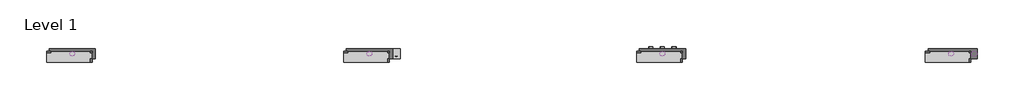
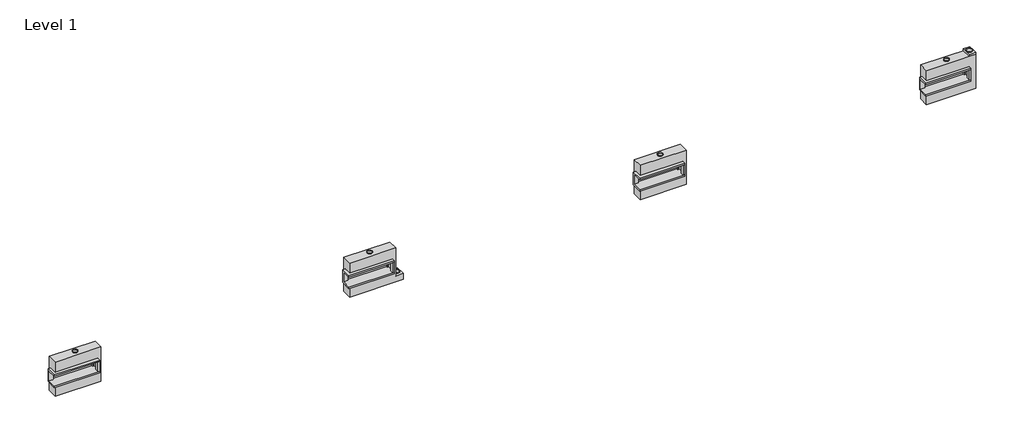
# One storey: 16 proxies.
"""IFC4 building model written with IfcOpenShell, lengths in millimetres."""

import ifcopenshell
import ifcopenshell.guid

model = None  # the IFC model being written
_history = None  # IfcOwnerHistory: only IFC2X3 demands one
_inside = {}  # id of a spatial element -> (the spatial element, [elements in it])
_under = {}  # id of a project, library or spatial element -> (it, [spatial elements below it])
_declared = {}  # id of a project -> (the project, [libraries it declares])
_typed = {}  # id of a type object -> (the type object, [elements of that type])
_made_of = {}  # id of a material, layer set ... -> (it, [elements and type objects made of it])


def new_model(schema):
    """Start an empty IFC model of exactly this schema.

    Asked for "IFC4X3", IfcOpenShell would pick the latest addendum, in which some entities
    have other attributes; the version numbers below select the first issue.
    IFC2X3 requires an IfcOwnerHistory on every rooted entity: one is made here for all.
    """
    global model, _history
    if schema == "IFC4X3":
        model = ifcopenshell.file(schema_version=(4, 3, 0, 0))
    else:
        model = ifcopenshell.file(schema=schema)
    _inside.clear()
    _under.clear()
    _declared.clear()
    _typed.clear()
    _made_of.clear()
    _history = None
    if model.schema == "IFC2X3":
        org = make("IfcOrganization", Name="unknown")
        user = make(
            "IfcPersonAndOrganization",
            ThePerson=make("IfcPerson", FamilyName="unknown"),
            TheOrganization=org,
        )
        app = make(
            "IfcApplication",
            ApplicationDeveloper=org,
            Version="unknown",
            ApplicationFullName="unknown",
            ApplicationIdentifier="unknown",
        )
        _history = make(
            "IfcOwnerHistory",
            OwningUser=user,
            OwningApplication=app,
            ChangeAction="ADDED",
            CreationDate=0,
        )
    return model


def make(cls, **values):
    """One entity of the class cls with the attributes given. An attribute that is None is left unset."""
    return model.create_entity(
        cls, **{name: value for name, value in values.items() if value is not None}
    )


def rooted(cls, **values):
    """An entity with a GlobalId (a new one), such as an element, a storey or a relation."""
    return make(cls, GlobalId=ifcopenshell.guid.new(), OwnerHistory=_history, **values)


def si_unit(unit_type, name, prefix=None):
    """IfcSIUnit, for example si_unit("LENGTHUNIT", "METRE", prefix="MILLI")."""
    return make("IfcSIUnit", UnitType=unit_type, Prefix=prefix, Name=name)


def assignment(units):
    """IfcUnitAssignment: the units of a project."""
    return None if units is None else make("IfcUnitAssignment", Units=units)


def point(xyz):
    """IfcCartesianPoint."""
    return None if xyz is None else make("IfcCartesianPoint", Coordinates=xyz)


def direction(xyz):
    """IfcDirection."""
    return None if xyz is None else make("IfcDirection", DirectionRatios=xyz)


def frame(location, z_axis=None, x_axis=None):
    """IfcAxis2Placement3D, a coordinate frame: its origin and axes. An axis left out is left unset."""
    return make(
        "IfcAxis2Placement3D",
        Location=point(location),
        Axis=direction(z_axis),
        RefDirection=direction(x_axis),
    )


def frame_2d(location, x_axis=None):
    """IfcAxis2Placement2D, a coordinate frame in the plane: its origin and x axis."""
    return make(
        "IfcAxis2Placement2D", Location=point(location), RefDirection=direction(x_axis)
    )


def origin():
    """The frame at (0, 0, 0) with its axes left unset."""
    return frame((0.0, 0.0, 0.0))


def origin_with_axes():
    """The frame at (0, 0, 0) with the z axis (0, 0, 1) and the x axis (1, 0, 0) written out."""
    return frame((0.0, 0.0, 0.0), z_axis=(0.0, 0.0, 1.0), x_axis=(1.0, 0.0, 0.0))


def origin_2d():
    """The frame at (0, 0) in the plane with its x axis left unset."""
    return frame_2d((0.0, 0.0))


def place(relative_to, where):
    """IfcLocalPlacement: puts the frame where relative to a parent placement (None: the world)."""
    return make(
        "IfcLocalPlacement", PlacementRelTo=relative_to, RelativePlacement=where
    )


def context(
    kind, dimensions, precision=None, world=None, true_north=None, identifier=None
):
    """IfcGeometricRepresentationContext, for example the 3D "Model" context."""
    return make(
        "IfcGeometricRepresentationContext",
        ContextIdentifier=identifier,
        ContextType=kind,
        CoordinateSpaceDimension=dimensions,
        Precision=precision,
        WorldCoordinateSystem=world,
        TrueNorth=true_north,
    )


def project(units=None, contexts=None):
    """IfcProject with its units and contexts."""
    return rooted(
        "IfcProject",
        Name="project",
        RepresentationContexts=contexts,
        UnitsInContext=assignment(units),
    )


def spatial(cls, under=None, at=None, **own):
    """A site, building, storey or space (cls), placed at a placement, below another one or the project."""
    s = rooted(cls, ObjectPlacement=at, **own)
    if under is not None:
        _under.setdefault(under.id(), (under, []))[1].append(s)
    return s


def polyline(points):
    """IfcPolyline through the points."""
    return make("IfcPolyline", Points=[point(p) for p in points])


def circle_curve(where, radius):
    """IfcCircle in the frame where."""
    return make("IfcCircle", Position=where, Radius=radius)


def trimmed(basis, trim1, trim2, sense, master):
    """IfcTrimmedCurve: the piece of a basis curve between two trims."""
    return make(
        "IfcTrimmedCurve",
        BasisCurve=basis,
        Trim1=trim1,
        Trim2=trim2,
        SenseAgreement=sense,
        MasterRepresentation=master,
    )


def segment(curve, same_sense, transition):
    """IfcCompositeCurveSegment."""
    return make(
        "IfcCompositeCurveSegment",
        Transition=transition,
        SameSense=same_sense,
        ParentCurve=curve,
    )


def composite_curve(segments, self_intersect=None):
    """IfcCompositeCurve: segments joined end to end."""
    return make("IfcCompositeCurve", Segments=segments, SelfIntersect=self_intersect)


def outline(outer, holes=None, kind="AREA"):
    """IfcArbitraryClosedProfileDef: a profile drawn as a closed curve; with holes, ...WithVoids."""
    if holes is None:
        return make("IfcArbitraryClosedProfileDef", ProfileType=kind, OuterCurve=outer)
    return make(
        "IfcArbitraryProfileDefWithVoids",
        ProfileType=kind,
        OuterCurve=outer,
        InnerCurves=holes,
    )


def extrude(swept, where, along, depth):
    """IfcExtrudedAreaSolid: the profile swept, set in the frame where, extruded along a direction by depth."""
    return make(
        "IfcExtrudedAreaSolid",
        SweptArea=swept,
        Position=where,
        ExtrudedDirection=direction(along),
        Depth=depth,
    )


def faces_of(points, faces, orient=None, outer=None):
    """IfcFace entities. A face is a list of loops; a loop is a list of indices into points, from 0.

    orient and outer hold one flag for each loop. By default every Orientation is true, the
    first loop of a face is its IfcFaceOuterBound and the others are IfcFaceBound.
    """
    made = []
    for i, loops in enumerate(faces):
        bounds = []
        for j, loop in enumerate(loops):
            is_outer = j == 0 if outer is None else outer[i][j]
            bounds.append(
                make(
                    "IfcFaceOuterBound" if is_outer else "IfcFaceBound",
                    Bound=make("IfcPolyLoop", Polygon=[points[k] for k in loop]),
                    Orientation=True if orient is None else orient[i][j],
                )
            )
        made.append(make("IfcFace", Bounds=bounds))
    return made


def faceted_brep(points, faces, orient=None, outer=None, voids=None):
    """IfcFacetedBrep: a solid bounded by flat faces; with voids (closed shells), ...WithVoids."""
    shared = [point(p) for p in points]
    hull = make("IfcClosedShell", CfsFaces=faces_of(shared, faces, orient, outer))
    if voids is None:
        return make("IfcFacetedBrep", Outer=hull)
    return make(
        "IfcFacetedBrepWithVoids",
        Outer=hull,
        Voids=[
            make(cls, CfsFaces=faces_of(shared, fs, o, b)) for cls, fs, o, b in voids
        ],
    )


def shape(context_of_items, identifier, shape_type, items):
    """IfcShapeRepresentation: the items that make up one representation, for example the "Body"."""
    return make(
        "IfcShapeRepresentation",
        ContextOfItems=context_of_items,
        RepresentationIdentifier=identifier,
        RepresentationType=shape_type,
        Items=items,
    )


def source(mapping_origin, context_of_items, identifier, shape_type, items):
    """IfcRepresentationMap: a shape defined once, which mapped items show again and again."""
    return make(
        "IfcRepresentationMap",
        MappingOrigin=mapping_origin,
        MappedRepresentation=shape(context_of_items, identifier, shape_type, items),
    )


def transform(
    local_origin,
    x_axis=None,
    y_axis=None,
    z_axis=None,
    scale=None,
    scale2=None,
    scale3=None,
    uniform=True,
):
    """IfcCartesianTransformationOperator3D, or its non-uniform kind. x_axis, y_axis, z_axis: its Axis1, 2, 3."""
    if uniform:
        return make(
            "IfcCartesianTransformationOperator3D",
            Axis1=direction(x_axis),
            Axis2=direction(y_axis),
            LocalOrigin=point(local_origin),
            Scale=scale,
            Axis3=direction(z_axis),
        )
    return make(
        "IfcCartesianTransformationOperator3DnonUniform",
        Axis1=direction(x_axis),
        Axis2=direction(y_axis),
        LocalOrigin=point(local_origin),
        Scale=scale,
        Axis3=direction(z_axis),
        Scale2=scale2,
        Scale3=scale3,
    )


def mapped(mapping_source, mapping_target):
    """IfcMappedItem: shows the shape of a source again, moved by a transform."""
    return make(
        "IfcMappedItem", MappingSource=mapping_source, MappingTarget=mapping_target
    )


def made_of(thing, what):
    """Note that an element or type object is made of a material, layer set ...; save() writes the relation."""
    if what is not None:
        _made_of.setdefault(what.id(), (what, []))[1].append(thing)
    return thing


def element(
    cls,
    number,
    at=None,
    inside=None,
    cuts=None,
    type_object=None,
    material=None,
    context=None,
    identifier="Body",
    shape_type=None,
    held_by="IfcProductDefinitionShape",
    body=None,
    shapes=None,
    **own,
):
    """One element of the class cls, such as IfcWall. Its Tag is "e" and its number.

    at: its placement. inside: the storey or other place that contains it. cuts: it is an
    opening in that element (IfcRelVoidsElement). A single representation is given by context,
    identifier, shape_type and body (its items); several are given by shapes. held_by: the class
    of the entity that holds the representations. save() writes the other relations.
    """
    e = rooted(cls, Tag="e%d" % number, ObjectPlacement=at, **own)
    if body is not None:
        shapes = [shape(context, identifier, shape_type, body)]
    if shapes is not None:
        e.Representation = make(held_by, Representations=shapes)
    if inside is not None:
        _inside.setdefault(inside.id(), (inside, []))[1].append(e)
    if cuts is not None:
        rooted(
            "IfcRelVoidsElement", RelatingBuildingElement=cuts, RelatedOpeningElement=e
        )
    if type_object is not None:
        _typed.setdefault(type_object.id(), (type_object, []))[1].append(e)
    return made_of(e, material)


def aggregate(whole, parts):
    """IfcRelAggregates: a whole, such as a stair, and the parts it consists of."""
    return rooted("IfcRelAggregates", RelatingObject=whole, RelatedObjects=parts)


def save(model, path):
    """Write the relations noted so far, then the file.

    IfcRelAggregates (storeys below a building ...), IfcRelContainedInSpatialStructure (elements
    in a storey), IfcRelDefinesByType, IfcRelAssociatesMaterial and IfcRelDeclares: one each for
    every whole, place, type object, material and project.
    """
    for whole, parts in _under.values():
        aggregate(whole, parts)
    for where, things in _inside.values():
        rooted(
            "IfcRelContainedInSpatialStructure",
            RelatedElements=things,
            RelatingStructure=where,
        )
    for kind, things in _typed.values():
        rooted("IfcRelDefinesByType", RelatedObjects=things, RelatingType=kind)
    for what, things in _made_of.values():
        rooted("IfcRelAssociatesMaterial", RelatedObjects=things, RelatingMaterial=what)
    for by, libraries in _declared.values():
        rooted("IfcRelDeclares", RelatingContext=by, RelatedDefinitions=libraries)
    model.write(path)


def as_specified_b8faef18(model_context):
    return source(origin(), model_context, "Body", "SolidModel", [
        extrude(outline(polyline([(882.65, 285.75), (958.85, 285.75), (958.85, -222.25), (882.65, -222.25), (882.65, 285.75)])), frame((0.0, 0.0, -25.4), z_axis=(0.0, 0.0, 1.0), x_axis=(1.0, 0.0, 0.0)), (0.0, 0.0, 1.0), 165.1),
        faceted_brep([(958.85, 285.75, 139.7), (958.85, 285.75, -317.5), (958.85, -222.25, -317.5), (958.85, -222.25, 139.7), (958.85, -298.45, 139.7), (958.85, -298.45, -393.7), (958.85, 361.95, -393.7), (958.85, 361.95, 139.7), (-1250.95, 285.75, 139.7), (-1250.95, 361.95, 139.7), (-1250.95, 361.95, -393.7), (-1250.95, -298.45, -393.7), (-1250.95, -298.45, 139.7), (-1250.95, -222.25, 139.7), (-1250.95, -222.25, -317.5), (-1250.95, 285.75, -317.5), (-1047.75, 285.75, -393.7), (-1047.75, -222.25, -393.7), (882.65, -222.25, -393.7), (882.65, 285.75, -393.7), (882.65, -222.25, -317.5), (-1047.75, -222.25, -317.5), (882.65, 285.75, -317.5), (-1047.75, 285.75, -317.5)], [[[0, 1, 2, 3, 4, 5, 6, 7]], [[8, 9, 10, 11, 12, 13, 14, 15]], [[0, 7, 9, 8]], [[7, 6, 10, 9]], [[6, 5, 11, 10], [16, 17, 18, 19]], [[4, 3, 13, 12]], [[3, 2, 20, 18, 17, 21, 14, 13]], [[2, 1, 22, 20]], [[15, 14, 21, 23]], [[1, 0, 8, 15, 23, 16, 19, 22]], [[21, 17, 16, 23]], [[18, 20, 22, 19]], [[5, 4, 12, 11]]]),
        faceted_brep([(-1123.95, 882.65, -523.9742188), (1123.95, 882.65, -523.9742188), (1123.95, -882.65, -523.9742188), (-1123.95, -882.65, -523.9742188), (1123.95, 882.65, -25.4), (-1123.95, 882.65, -25.4), (-1123.95, 361.95, -25.4), (958.85, 361.95, -25.4), (958.85, -298.45, -25.4), (-1123.95, -298.45, -25.4), (-1123.95, -882.65, -25.4), (1123.95, -882.65, -25.4), (-1123.95, -298.45, -393.7), (-1123.95, 361.95, -393.7), (958.85, 361.95, -393.7), (958.85, -298.45, -393.7)], [[[0, 1, 2, 3]], [[4, 5, 6, 7, 8, 9, 10, 11]], [[1, 0, 5, 4]], [[5, 0, 3, 10, 9, 12, 13, 6]], [[1, 4, 11, 2]], [[3, 2, 11, 10]], [[14, 15, 8, 7]], [[13, 14, 7, 6]], [[15, 14, 13, 12]], [[15, 12, 9, 8]]]),
    ])


def as_specified_4dafcfc0(model_context):
    return source(origin(), model_context, "Body", "SolidModel", [
        extrude(outline(polyline([(882.65, 285.75), (958.85, 285.75), (958.85, -222.25), (882.65, -222.25), (882.65, 285.75)])), frame((0.0, 0.0, -25.4), z_axis=(0.0, 0.0, 1.0), x_axis=(1.0, 0.0, 0.0)), (0.0, 0.0, 1.0), 165.1),
        faceted_brep([(958.85, 285.75, 139.7), (958.85, 285.75, -317.5), (958.85, -222.25, -317.5), (958.85, -222.25, 139.7), (958.85, -298.45, 139.7), (958.85, -298.45, -393.7), (958.85, 361.95, -393.7), (958.85, 361.95, 139.7), (-1250.95, 285.75, 139.7), (-1250.95, 361.95, 139.7), (-1250.95, 361.95, -393.7), (-1250.95, -298.45, -393.7), (-1250.95, -298.45, 139.7), (-1250.95, -222.25, 139.7), (-1250.95, -222.25, -317.5), (-1250.95, 285.75, -317.5), (-1047.75, 285.75, -393.7), (-1047.75, -222.25, -393.7), (882.65, -222.25, -393.7), (882.65, 285.75, -393.7), (882.65, -222.25, -317.5), (-1047.75, -222.25, -317.5), (882.65, 285.75, -317.5), (-1047.75, 285.75, -317.5)], [[[0, 1, 2, 3, 4, 5, 6, 7]], [[8, 9, 10, 11, 12, 13, 14, 15]], [[0, 7, 9, 8]], [[7, 6, 10, 9]], [[6, 5, 11, 10], [16, 17, 18, 19]], [[4, 3, 13, 12]], [[3, 2, 20, 18, 17, 21, 14, 13]], [[2, 1, 22, 20]], [[15, 14, 21, 23]], [[1, 0, 8, 15, 23, 16, 19, 22]], [[21, 17, 16, 23]], [[18, 20, 22, 19]], [[5, 4, 12, 11]]]),
        faceted_brep([(-1123.95, 882.65, -523.9742188), (1123.95, 882.65, -523.9742188), (1123.95, -577.85, -523.9742188), (1504.95, -577.85, -523.9742188), (1504.95, -882.65, -523.9742188), (-1123.95, -882.65, -523.9742188), (1123.95, 882.65, -25.4), (-1123.95, 882.65, -25.4), (-1123.95, 361.95, -25.4), (958.85, 361.95, -25.4), (958.85, -298.45, -25.4), (-1123.95, -298.45, -25.4), (-1123.95, -882.65, -25.4), (1504.95, -882.65, -25.4), (1504.95, -577.85, -25.4), (1123.95, -577.85, -25.4), (-1123.95, -298.45, -393.7), (-1123.95, 361.95, -393.7), (958.85, 361.95, -393.7), (958.85, -298.45, -393.7)], [[[0, 1, 2, 3, 4, 5]], [[6, 7, 8, 9, 10, 11, 12, 13, 14, 15]], [[1, 0, 7, 6]], [[7, 0, 5, 12, 11, 16, 17, 8]], [[1, 6, 15, 2]], [[5, 4, 13, 12]], [[18, 19, 10, 9]], [[17, 18, 9, 8]], [[19, 18, 17, 16]], [[19, 16, 11, 10]], [[4, 3, 14, 13]], [[3, 2, 15, 14]]]),
    ])


def as_specified_6912e601(model_context):
    return source(origin(), model_context, "Body", "SolidModel", [
        extrude(outline(polyline([(1276.35, 882.65), (958.85, 882.65), (958.85, 984.25), (1276.35, 984.25), (1276.35, 882.65)])), frame((0.0, 0.0, -523.9742188), z_axis=(0.0, 0.0, 1.0), x_axis=(1.0, 0.0, 0.0)), (0.0, 0.0, 1.0), 498.5742188),
        extrude(outline(polyline([(882.65, 285.75), (958.85, 285.75), (958.85, -222.25), (882.65, -222.25), (882.65, 285.75)])), frame((0.0, 0.0, -25.4), z_axis=(0.0, 0.0, 1.0), x_axis=(1.0, 0.0, 0.0)), (0.0, 0.0, 1.0), 165.1),
        faceted_brep([(958.85, 285.75, 139.7), (958.85, 285.75, -317.5), (958.85, -222.25, -317.5), (958.85, -222.25, 139.7), (958.85, -298.45, 139.7), (958.85, -298.45, -393.7), (958.85, 361.95, -393.7), (958.85, 361.95, 139.7), (-1250.95, 285.75, 139.7), (-1250.95, 361.95, 139.7), (-1250.95, 361.95, -393.7), (-1250.95, -298.45, -393.7), (-1250.95, -298.45, 139.7), (-1250.95, -222.25, 139.7), (-1250.95, -222.25, -317.5), (-1250.95, 285.75, -317.5), (-1047.75, 285.75, -393.7), (-1047.75, -222.25, -393.7), (882.65, -222.25, -393.7), (882.65, 285.75, -393.7), (882.65, -222.25, -317.5), (-1047.75, -222.25, -317.5), (882.65, 285.75, -317.5), (-1047.75, 285.75, -317.5)], [[[0, 1, 2, 3, 4, 5, 6, 7]], [[8, 9, 10, 11, 12, 13, 14, 15]], [[0, 7, 9, 8]], [[7, 6, 10, 9]], [[6, 5, 11, 10], [16, 17, 18, 19]], [[4, 3, 13, 12]], [[3, 2, 20, 18, 17, 21, 14, 13]], [[2, 1, 22, 20]], [[15, 14, 21, 23]], [[1, 0, 8, 15, 23, 16, 19, 22]], [[21, 17, 16, 23]], [[18, 20, 22, 19]], [[5, 4, 12, 11]]]),
        faceted_brep([(1276.35, 882.65, -523.9742188), (1276.35, -882.65, -523.9742188), (-1123.95, -882.65, -523.9742188), (-1123.95, 882.65, -523.9742188), (-1123.95, 882.65, -25.4), (-1123.95, 361.95, -25.4), (958.85, 361.95, -25.4), (958.85, -298.45, -25.4), (-1123.95, -298.45, -25.4), (-1123.95, -882.65, -25.4), (1276.35, -882.65, -25.4), (1276.35, 882.65, -25.4), (-1123.95, -298.45, -393.7), (-1123.95, 361.95, -393.7), (958.85, 361.95, -393.7), (958.85, -298.45, -393.7)], [[[0, 1, 2, 3]], [[4, 5, 6, 7, 8, 9, 10, 11]], [[0, 3, 4, 11]], [[4, 3, 2, 9, 8, 12, 13, 5]], [[2, 1, 10, 9]], [[14, 15, 7, 6]], [[13, 14, 6, 5]], [[15, 14, 13, 12]], [[15, 12, 8, 7]], [[1, 0, 11, 10]]]),
    ])


def proxy_f96b1d40(model_context):
    return source(origin(), model_context, "Body", "SweptSolid", [
        extrude(outline(composite_curve([segment(trimmed(circle_curve(origin_2d(), 150.8125), [point((-150.8125, 0.0))], [point((150.8125, 0.0))], False, "CARTESIAN"), True, "CONTINUOUS"), segment(trimmed(circle_curve(origin_2d(), 150.8125), [point((150.8125, 0.0))], [point((-150.8125, 0.0))], False, "CARTESIAN"), True, "CONTINUOUS")], self_intersect=False), holes=[composite_curve([segment(trimmed(circle_curve(origin_2d(), 149.225), [point((-149.225, 0.0))], [point((149.225, 0.0))], True, "CARTESIAN"), True, "CONTINUOUS"), segment(trimmed(circle_curve(origin_2d(), 149.225), [point((149.225, 0.0))], [point((-149.225, 0.0))], True, "CARTESIAN"), True, "CONTINUOUS")], self_intersect=False)]), origin_with_axes(), (0.0, 0.0, 1.0), 50.8),
    ])


def proxy_5643af6b(model_context):
    return source(origin(), model_context, "Body", "SweptSolid", [
        extrude(outline(composite_curve([segment(trimmed(circle_curve(origin_2d(), 100.0125), [point((-100.0125, 0.0))], [point((100.0125, 0.0))], False, "CARTESIAN"), True, "CONTINUOUS"), segment(trimmed(circle_curve(origin_2d(), 100.0125), [point((100.0125, 0.0))], [point((-100.0125, 0.0))], False, "CARTESIAN"), True, "CONTINUOUS")], self_intersect=False), holes=[composite_curve([segment(trimmed(circle_curve(origin_2d(), 98.425), [point((-98.425, 0.0))], [point((98.425, 0.0))], True, "CARTESIAN"), True, "CONTINUOUS"), segment(trimmed(circle_curve(origin_2d(), 98.425), [point((98.425, 0.0))], [point((-98.425, 0.0))], True, "CARTESIAN"), True, "CONTINUOUS")], self_intersect=False)]), origin_with_axes(), (0.0, 0.0, 1.0), 101.6),
    ])


def proxy_c1ba4f62(model_context):
    return source(origin(), model_context, "Body", "SweptSolid", [
        extrude(outline(composite_curve([segment(trimmed(circle_curve(origin_2d(), 103.1875), [point((-103.1875, 0.0))], [point((103.1875, 0.0))], False, "CARTESIAN"), True, "CONTINUOUS"), segment(trimmed(circle_curve(origin_2d(), 103.1875), [point((103.1875, 0.0))], [point((-103.1875, 0.0))], False, "CARTESIAN"), True, "CONTINUOUS")], self_intersect=False), holes=[composite_curve([segment(trimmed(circle_curve(origin_2d(), 101.6), [point((-101.6, 0.0))], [point((101.6, 0.0))], True, "CARTESIAN"), True, "CONTINUOUS"), segment(trimmed(circle_curve(origin_2d(), 101.6), [point((101.6, 0.0))], [point((-101.6, 0.0))], True, "CARTESIAN"), True, "CONTINUOUS")], self_intersect=False)]), origin_with_axes(), (0.0, 0.0, 1.0), 6.35),
    ])


def proxy_2b585128(model_context):
    return source(origin(), model_context, "Body", "SweptSolid", [
        extrude(outline(composite_curve([segment(trimmed(circle_curve(origin_2d(), 123.825), [point((-123.825, 0.0))], [point((123.825, 0.0))], False, "CARTESIAN"), True, "CONTINUOUS"), segment(trimmed(circle_curve(origin_2d(), 123.825), [point((123.825, 0.0))], [point((-123.825, 0.0))], False, "CARTESIAN"), True, "CONTINUOUS")], self_intersect=False), holes=[composite_curve([segment(trimmed(circle_curve(origin_2d(), 122.2375), [point((-122.2375, 0.0))], [point((122.2375, 0.0))], True, "CARTESIAN"), True, "CONTINUOUS"), segment(trimmed(circle_curve(origin_2d(), 122.2375), [point((122.2375, 0.0))], [point((-122.2375, 0.0))], True, "CARTESIAN"), True, "CONTINUOUS")], self_intersect=False)]), origin_with_axes(), (0.0, 0.0, 1.0), 50.8),
    ])


model = new_model("IFC4")

# Units and contexts
model_context = context("Model", 3, world=origin())
ifc_project = project(units=[si_unit("LENGTHUNIT", "METRE", prefix="MILLI")], contexts=[model_context])

# Site, building, storey
site = spatial("IfcSite", under=ifc_project)
building = spatial("IfcBuilding", under=site)
storey = spatial("IfcBuildingStorey", under=building, Name="Level 1", Elevation=0.0)

# Proxies
placement = place(None, origin())
as_specified_shape = as_specified_b8faef18(model_context)
element("IfcBuildingElementProxy", 1, Name="As Specified", ObjectType="As Specified", at=placement, inside=storey, context=model_context, shape_type="MappedRepresentation", body=[
    mapped(as_specified_shape, transform((14791.2574402, 1616.7712992, 1219.2), x_axis=(1.0, 0.0, 0.0), y_axis=(0.0, 0.0, 1.0), z_axis=(0.0, -1.0, 0.0))),
])
as_specified_2_shape = as_specified_4dafcfc0(model_context)
element("IfcBuildingElementProxy", 2, Name="As Specified", ObjectType="As Specified", at=placement, inside=storey, context=model_context, shape_type="MappedRepresentation", body=[
    mapped(as_specified_2_shape, transform((565.6597121, 1616.7712992, 1144.6311604), x_axis=(1.0, 0.0, 0.0), y_axis=(0.0, 0.0, 1.0), z_axis=(0.0, -1.0, 0.0))),
])
as_specified_3_shape = as_specified_6912e601(model_context)
element("IfcBuildingElementProxy", 3, Name="As Specified", ObjectType="As Specified", at=placement, inside=storey, context=model_context, shape_type="MappedRepresentation", body=[
    mapped(as_specified_3_shape, transform((28812.0574402, 1616.7712992, 1219.2), x_axis=(1.0, 0.0, 0.0), y_axis=(0.0, 0.0, 1.0), z_axis=(0.0, -1.0, 0.0))),
])
element("IfcBuildingElementProxy", 4, Name="As Specified", ObjectType="As Specified", at=placement, inside=storey, context=model_context, shape_type="MappedRepresentation", body=[
    mapped(as_specified_shape, transform((-13859.9425598, 1616.7712992, 1066.8), x_axis=(1.0, 0.0, 0.0), y_axis=(0.0, 0.0, 1.0), z_axis=(0.0, -1.0, 0.0))),
])
proxy_shape = proxy_f96b1d40(model_context)
element("IfcBuildingElementProxy", 5, Name="Duct Dia : 11 7/8\" Dia.", ObjectType="Duct Dia : 11 7/8\" Dia.", at=placement, inside=storey, context=model_context, shape_type="MappedRepresentation", body=[
    mapped(proxy_shape, transform((1880.1097121, 1908.8712992, 566.7811604), x_axis=(1.0, 0.0, 0.0), y_axis=(0.0, 1.0, 0.0), z_axis=(0.0, 0.0, 1.0))),
])
element("IfcBuildingElementProxy", 6, Name="Duct Dia : 11 7/8\" Dia.", ObjectType="Duct Dia : 11 7/8\" Dia.", at=placement, inside=storey, context=model_context, shape_type="MappedRepresentation", body=[
    mapped(proxy_shape, transform((29929.6574402, 1891.4584086, 2203.45), x_axis=(1.0, 0.0, 0.0), y_axis=(0.0, 1.0, 0.0), z_axis=(0.0, 0.0, 1.0))),
])
proxy_2_shape = proxy_5643af6b(model_context)
element("IfcBuildingElementProxy", 7, Name="Duct Dia : 7 7/8\" Dia", ObjectType="Duct Dia : 7 7/8\" Dia", at=placement, inside=storey, context=model_context, shape_type="MappedRepresentation", body=[
    mapped(proxy_2_shape, transform((15353.2324402, 2140.745518, 488.95), x_axis=(1.0, 0.0, 0.0), y_axis=(0.0, 0.0, -1.0), z_axis=(0.0, 1.0, 0.0))),
])
element("IfcBuildingElementProxy", 8, Name="Duct Dia : 7 7/8\" Dia", ObjectType="Duct Dia : 7 7/8\" Dia", at=placement, inside=storey, context=model_context, shape_type="MappedRepresentation", body=[
    mapped(proxy_2_shape, transform((14229.2824402, 2140.745518, 488.95), x_axis=(1.0, 0.0, 0.0), y_axis=(0.0, 0.0, -1.0), z_axis=(0.0, 1.0, 0.0))),
])
element("IfcBuildingElementProxy", 9, Name="Duct Dia : 7 7/8\" Dia", ObjectType="Duct Dia : 7 7/8\" Dia", at=placement, inside=storey, context=model_context, shape_type="MappedRepresentation", body=[
    mapped(proxy_2_shape, transform((14791.2574402, 2140.745518, 488.95), x_axis=(1.0, 0.0, 0.0), y_axis=(0.0, 0.0, -1.0), z_axis=(0.0, 1.0, 0.0))),
])
proxy_3_shape = proxy_c1ba4f62(model_context)
element("IfcBuildingElementProxy", 10, Name="Duct Dia : 8 1/8\" Dia", ObjectType="Duct Dia : 8 1/8\" Dia", at=placement, inside=storey, context=model_context, shape_type="MappedRepresentation", body=[
    mapped(proxy_3_shape, transform((-13297.9675598, 1891.4584086, 184.15), x_axis=(-1.0, 0.0, 0.0), y_axis=(0.0, 1.0, 0.0), z_axis=(0.0, 0.0, -1.0))),
])
element("IfcBuildingElementProxy", 11, Name="Duct Dia : 8 1/8\" Dia", ObjectType="Duct Dia : 8 1/8\" Dia", at=placement, inside=storey, context=model_context, shape_type="MappedRepresentation", body=[
    mapped(proxy_3_shape, transform((-14421.9175598, 1891.4584086, 184.15), x_axis=(-1.0, 0.0, 0.0), y_axis=(0.0, 1.0, 0.0), z_axis=(0.0, 0.0, -1.0))),
])
element("IfcBuildingElementProxy", 12, Name="Duct Dia : 8 1/8\" Dia", ObjectType="Duct Dia : 8 1/8\" Dia", at=placement, inside=storey, context=model_context, shape_type="MappedRepresentation", body=[
    mapped(proxy_3_shape, transform((-13859.9425598, 1891.4584086, 184.15), x_axis=(-1.0, 0.0, 0.0), y_axis=(0.0, 1.0, 0.0), z_axis=(0.0, 0.0, -1.0))),
])
proxy_4_shape = proxy_2b585128(model_context)
element("IfcBuildingElementProxy", 13, Name="Duct Dia : 9 3/4\" Dia.", ObjectType="Duct Dia : 9 3/4\" Dia.", at=placement, inside=storey, context=model_context, shape_type="MappedRepresentation", body=[
    mapped(proxy_4_shape, transform((-13859.9425598, 1891.4584086, 1949.45), x_axis=(1.0, 0.0, 0.0), y_axis=(0.0, 1.0, 0.0), z_axis=(0.0, 0.0, 1.0))),
])
element("IfcBuildingElementProxy", 14, Name="Duct Dia : 9 3/4\" Dia.", ObjectType="Duct Dia : 9 3/4\" Dia.", at=placement, inside=storey, context=model_context, shape_type="MappedRepresentation", body=[
    mapped(proxy_4_shape, transform((565.6597121, 1891.4584086, 2027.2811604), x_axis=(1.0, 0.0, 0.0), y_axis=(0.0, 1.0, 0.0), z_axis=(0.0, 0.0, 1.0))),
])
element("IfcBuildingElementProxy", 15, Name="Duct Dia : 9 3/4\" Dia.", ObjectType="Duct Dia : 9 3/4\" Dia.", at=placement, inside=storey, context=model_context, shape_type="MappedRepresentation", body=[
    mapped(proxy_4_shape, transform((14791.2574402, 1891.4584086, 2101.85), x_axis=(1.0, 0.0, 0.0), y_axis=(0.0, 1.0, 0.0), z_axis=(0.0, 0.0, 1.0))),
])
element("IfcBuildingElementProxy", 16, Name="Duct Dia : 9 3/4\" Dia.", ObjectType="Duct Dia : 9 3/4\" Dia.", at=placement, inside=storey, context=model_context, shape_type="MappedRepresentation", body=[
    mapped(proxy_4_shape, transform((28812.0574402, 1891.4584086, 2101.85), x_axis=(1.0, 0.0, 0.0), y_axis=(0.0, 1.0, 0.0), z_axis=(0.0, 0.0, 1.0))),
])

save(model, "model.ifc")
